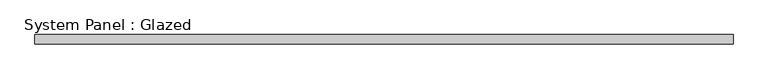
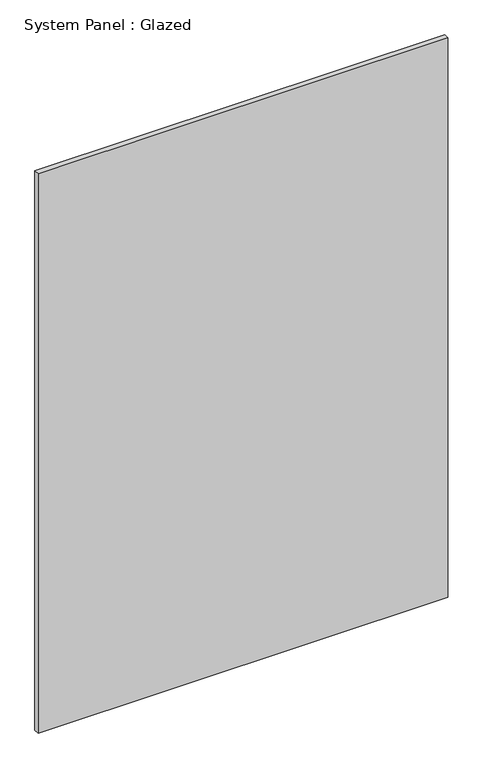
"""IFC4 building model written with IfcOpenShell, lengths in millimetres: plate geometry, System Panel : Glazed."""

from ifc_helpers import new_model, si_unit, origin, origin_with_axes, place, context, project, spatial, polyline, outline, extrude, source, transform, mapped, element, save


def system_panel_glazed_8a93ca3e(model_context):
    return source(origin(), model_context, "Body", "SweptSolid", [
        extrude(outline(polyline([(953.0, -37.5), (-953.0, -37.5), (-953.0, -12.5), (953.0, -12.5), (953.0, -37.5)])), origin_with_axes(), (0.0, 0.0, 1.0), 2750.0),
    ])


if __name__ == "__main__":
    model = new_model("IFC4")
    model_context = context("Model", 3, world=origin())
    ifc_project = project(units=[si_unit("LENGTHUNIT", "METRE", prefix="MILLI")], contexts=[model_context])
    site = spatial("IfcSite", under=ifc_project)
    building = spatial("IfcBuilding", under=site)
    placement = place(None, origin())
    system_panel_glazed_shape = system_panel_glazed_8a93ca3e(model_context)
    element("IfcPlate", 1, ObjectType="System Panel : Glazed", at=placement, inside=building, context=model_context, shape_type="MappedRepresentation", body=[
        mapped(system_panel_glazed_shape, transform((0.0, 0.0, 0.0), x_axis=(1.0, 0.0, 0.0), y_axis=(0.0, 1.0, 0.0), z_axis=(0.0, 0.0, 1.0))),
    ])
    save(model, "model.ifc")
